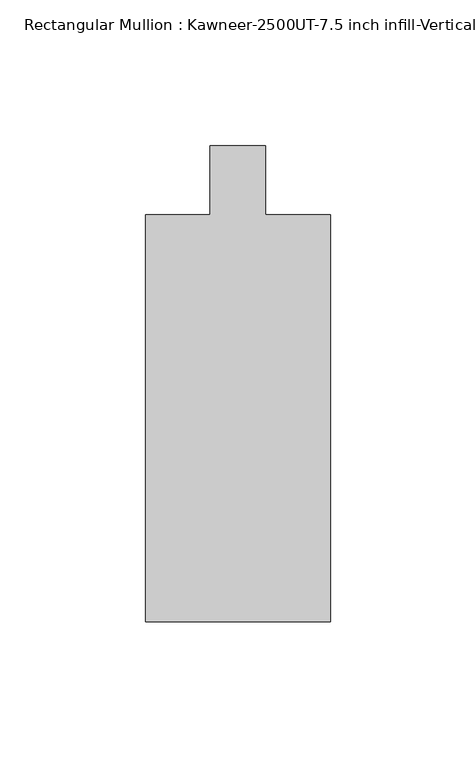
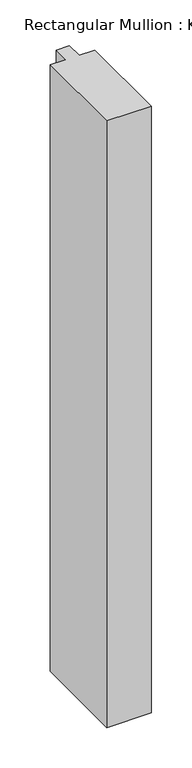
"""IFC4 building model written with IfcOpenShell, lengths in millimetres: member geometry, Rectangular Mullion : Kawneer-2500UT-7.5 inch infill-Vertical 1 inch infill."""

from ifc_helpers import new_model, si_unit, frame, origin, place, context, project, spatial, polyline, outline, extrude, source, transform, mapped, element, save


def rectangular_mullion_kawneer_2500ut_7_5_inch_infill_vertical_1a98b33d(model_context):
    return source(origin(), model_context, "Body", "SweptSolid", [
        extrude(outline(polyline([(31.750003, -190.499995), (-31.7499909, -190.499995), (-31.7499909, -50.8), (-9.5251102, -50.8), (-9.5251102, -27.0245257), (9.5251162, -27.0245257), (9.5251162, -50.799995), (31.750003, -50.799995), (31.750003, -190.499995)])), frame((0.0, 0.0, -914.4), z_axis=(0.0, 0.0, 1.0), x_axis=(1.0, 0.0, 0.0)), (0.0, 0.0, 1.0), 914.4),
    ])


if __name__ == "__main__":
    model = new_model("IFC4")
    model_context = context("Model", 3, world=origin())
    ifc_project = project(units=[si_unit("LENGTHUNIT", "METRE", prefix="MILLI")], contexts=[model_context])
    site = spatial("IfcSite", under=ifc_project)
    building = spatial("IfcBuilding", under=site)
    placement = place(None, origin())
    rectangular_mullion_kawneer_2500ut_7_5_inch_infill_vertical_shape = rectangular_mullion_kawneer_2500ut_7_5_inch_infill_vertical_1a98b33d(model_context)
    element("IfcMember", 1, ObjectType="Rectangular Mullion : Kawneer-2500UT-7.5 inch infill-Vertical 1 inch infill", at=placement, inside=building, context=model_context, shape_type="MappedRepresentation", body=[
        mapped(rectangular_mullion_kawneer_2500ut_7_5_inch_infill_vertical_shape, transform((0.0, 0.0, 0.0), x_axis=(1.0, 0.0, 0.0), y_axis=(0.0, 1.0, 0.0), z_axis=(0.0, 0.0, 1.0))),
    ])
    save(model, "model.ifc")
